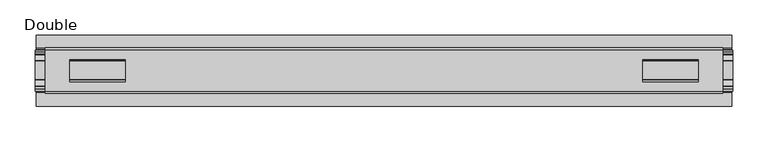
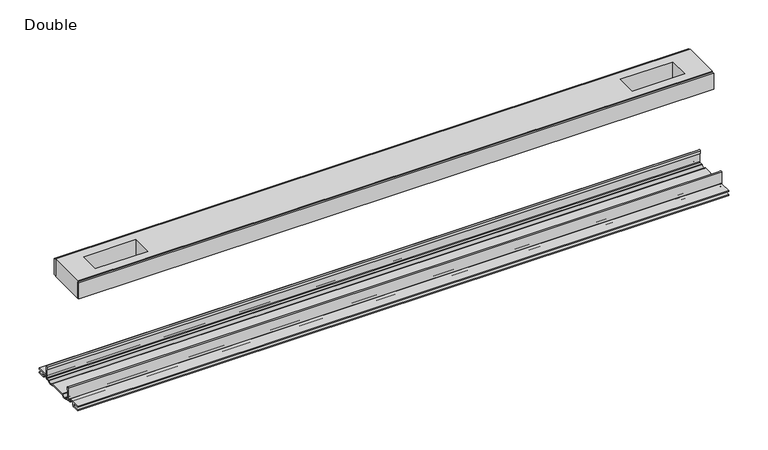
"""IFC4 building model written with IfcOpenShell, lengths in millimetres: proxy geometry, Double."""

from ifc_helpers import new_model, si_unit, point, frame, frame_2d, origin, place, context, project, spatial, polyline, circle_curve, trimmed, segment, composite_curve, outline, extrude, source, transform, mapped, element, save


def double_523658e2(model_context):
    return source(origin(), model_context, "Body", "SweptSolid", [
        extrude(outline(polyline([(479.3615091, -29.0068005), (479.3615091, -32.1817997), (-479.3615091, -32.1817997), (-479.3615091, -29.0068005), (479.3615091, -29.0068005)])), frame((0.0, 0.0, 149.8401622), z_axis=(0.0, 0.0, 1.0), x_axis=(1.0, 0.0, 0.0)), (0.0, 0.0, 1.0), 25.3999939),
        extrude(outline(polyline([(479.3615091, 32.1817997), (479.3615091, 29.0068005), (-479.3615091, 29.0068005), (-479.3615091, 32.1817997), (479.3615091, 32.1817997)])), frame((0.0, 0.0, 149.8401622), z_axis=(0.0, 0.0, 1.0), x_axis=(1.0, 0.0, 0.0)), (0.0, 0.0, 1.0), 25.3999939),
        extrude(outline(polyline([(479.3615091, 29.0068005), (479.3615091, -29.0068005), (-479.3615091, -29.0068005), (-479.3615091, 29.0068005), (479.3615091, 29.0068005)]), holes=[polyline([(444.9444965, 15.1130038), (365.8996847, 15.1130038), (365.8996847, -15.875003), (444.9444965, -15.875003), (444.9444965, 15.1130038)]), polyline([(-444.9444965, 15.1130038), (-444.9444965, -15.875003), (-365.8996847, -15.875003), (-365.8996847, 15.1130038), (-444.9444965, 15.1130038)])]), frame((0.0, 0.0, 148.4185847), z_axis=(0.0, 0.0, 1.0), x_axis=(1.0, 0.0, 0.0)), (0.0, 0.0, 1.0), 27.9999988),
        extrude(outline(composite_curve([segment(polyline([(-28.8162961, -7.7516037), (-28.8162961, 9.8607558)]), True, "CONTINUOUS"), segment(trimmed(circle_curve(frame_2d((-27.5970982, 9.8607558)), 1.2191979), [point((-28.8162961, 9.8607558))], [point((-26.3779003, 9.8607558))], False, "CARTESIAN"), True, "CONTINUOUS"), segment(polyline([(-26.3779003, 9.8607558), (-26.3779003, 5.9999563), (-27.6580769, 5.9999563), (-27.6580769, -7.7516037)]), True, "CONTINUOUS"), segment(trimmed(circle_curve(frame_2d((-26.6420561, -7.7516037)), 1.0160208), [point((-27.6580769, -7.7516037))], [point((-26.6485732, -8.7676036))], True, "CARTESIAN"), True, "CONTINUOUS"), segment(polyline([(-26.6485732, -8.7676036), (-22.7056226, -8.7676036), (-21.7922609, -8.968753)]), True, "CONTINUOUS"), segment(trimmed(circle_curve(frame_2d((-17.7673021, -6.1259382)), 4.9276657), [point((-21.7922609, -8.968753))], [point((-13.7423434, -8.968753))], True, "CARTESIAN"), True, "CONTINUOUS"), segment(polyline([(-13.7423434, -8.968753), (-12.8289726, -8.7676036), (13.2099722, -8.7676036), (14.123343, -8.968753)]), True, "CONTINUOUS"), segment(trimmed(circle_curve(frame_2d((18.1483018, -6.1259382)), 4.9276657), [point((14.123343, -8.968753))], [point((22.1732605, -8.968753))], True, "CARTESIAN"), True, "CONTINUOUS"), segment(polyline([(22.1732605, -8.968753), (23.0866222, -8.7676036), (27.0295728, -8.7676036)]), True, "CONTINUOUS"), segment(trimmed(circle_curve(frame_2d((27.0230557, -7.7516037)), 1.0160208), [point((27.0295728, -8.7676036))], [point((28.0390765, -7.7516037))], True, "CARTESIAN"), True, "CONTINUOUS"), segment(polyline([(28.0390765, -7.7516037), (28.0390765, 5.9999563), (26.7588999, 5.9999563), (26.7588999, 9.8607558)]), True, "CONTINUOUS"), segment(trimmed(circle_curve(frame_2d((27.9780978, 9.8607558)), 1.2191979), [point((26.7588999, 9.8607558))], [point((29.1972958, 9.8607558))], False, "CARTESIAN"), True, "CONTINUOUS"), segment(polyline([(29.1972958, 9.8607558), (29.1972958, -7.7516037)]), True, "CONTINUOUS"), segment(trimmed(circle_curve(frame_2d((27.0230557, -7.7516037)), 2.17424), [point((29.1972958, -7.7516037))], [point((27.0230557, -9.9258438))], False, "CARTESIAN"), True, "CONTINUOUS"), segment(polyline([(27.0230557, -9.9258438), (22.732069, -9.9258438)]), True, "CONTINUOUS"), segment(trimmed(circle_curve(frame_2d((18.1516545, -6.4800016)), 5.7318431), [point((22.732069, -9.9258438))], [point((13.57124, -9.9258438))], False, "CARTESIAN"), True, "CONTINUOUS"), segment(polyline([(13.57124, -9.9258438), (-13.1902404, -9.9258438)]), True, "CONTINUOUS"), segment(trimmed(circle_curve(frame_2d((-17.7706549, -6.4800016)), 5.7318431), [point((-13.1902404, -9.9258438))], [point((-22.3510694, -9.9258438))], False, "CARTESIAN"), True, "CONTINUOUS"), segment(polyline([(-22.3510694, -9.9258438), (-26.6420561, -9.9258438)]), True, "CONTINUOUS"), segment(trimmed(circle_curve(frame_2d((-26.6420561, -7.7516037)), 2.17424), [point((-26.6420561, -9.9258438))], [point((-28.8162961, -7.7516037))], False, "CARTESIAN"), True, "CONTINUOUS")], self_intersect=False)), frame((-493.4204, 0.0, 0.0), z_axis=(1.0, 0.0, 0.0), x_axis=(0.0, 1.0, 0.0)), (0.0, 0.0, 1.0), 986.8408),
        extrude(outline(composite_curve([segment(polyline([(-50.2668422, -13.9898438), (-50.2240211, -12.3388438), (-39.7827507, -12.3388438), (-39.7827507, -7.766844), (-50.2240211, -7.766844), (-50.2668422, -6.1158439), (-31.1784975, -6.1158439)]), True, "CONTINUOUS"), segment(trimmed(circle_curve(frame_2d((-31.1784975, -7.6398436)), 1.5239997), [point((-31.1784975, -6.1158439))], [point((-29.6544978, -7.6398436))], False, "CARTESIAN"), True, "CONTINUOUS"), segment(polyline([(-29.6544978, -7.6398436), (-29.6544978, -9.9258438), (-23.1058344, -9.9258438)]), True, "CONTINUOUS"), segment(trimmed(circle_curve(frame_2d((-17.7673021, -5.2268471)), 7.1119966), [point((-23.1058344, -9.9258438))], [point((-12.4287699, -9.9258438))], True, "CARTESIAN"), True, "CONTINUOUS"), segment(polyline([(-12.4287699, -9.9258438), (12.8097695, -9.9258438)]), True, "CONTINUOUS"), segment(trimmed(circle_curve(frame_2d((18.1483018, -5.2268471)), 7.1119966), [point((12.8097695, -9.9258438))], [point((23.486834, -9.9258438))], True, "CARTESIAN"), True, "CONTINUOUS"), segment(polyline([(23.486834, -9.9258438), (30.0354975, -9.9258438), (30.0354975, -7.7656583)]), True, "CONTINUOUS"), segment(trimmed(circle_curve(frame_2d((31.6864982, -7.7656583)), 1.6510007), [point((30.0354975, -7.7656583))], [point((31.6239218, -6.1158439))], False, "CARTESIAN"), True, "CONTINUOUS"), segment(polyline([(31.6239218, -6.1158439), (50.00625, -6.1158439), (50.00625, -7.766844), (40.1637503, -7.766844), (40.1637503, -12.3388438), (50.00625, -12.3388438), (50.00625, -13.9898438), (40.0367518, -13.9898438)]), True, "CONTINUOUS"), segment(trimmed(circle_curve(frame_2d((40.0367518, -12.4658438)), 1.524), [point((40.0367518, -13.9898438))], [point((38.5127519, -12.4658438))], False, "CARTESIAN"), True, "CONTINUOUS"), segment(polyline([(38.5127519, -12.4658438), (38.5127519, -7.766844), (31.686497, -7.766844), (31.686497, -10.0528438)]), True, "CONTINUOUS"), segment(trimmed(circle_curve(frame_2d((30.1624971, -10.0528438)), 1.524), [point((31.686497, -10.0528438))], [point((30.1624971, -11.5768438))], False, "CARTESIAN"), True, "CONTINUOUS"), segment(polyline([(30.1624971, -11.5768438), (23.6563549, -11.5768438)]), True, "CONTINUOUS"), segment(trimmed(circle_curve(frame_2d((18.1483018, -6.4968436)), 7.4930002), [point((23.6563549, -11.5768438))], [point((12.8904968, -11.8354331))], False, "CARTESIAN"), True, "CONTINUOUS"), segment(polyline([(12.8904968, -11.8354331), (-12.5094972, -11.8354331)]), True, "CONTINUOUS"), segment(trimmed(circle_curve(frame_2d((-17.7673021, -6.4968436)), 7.4930002), [point((-12.5094972, -11.8354331))], [point((-23.2753553, -11.5768438))], False, "CARTESIAN"), True, "CONTINUOUS"), segment(polyline([(-23.2753553, -11.5768438), (-29.7814974, -11.5768438)]), True, "CONTINUOUS"), segment(trimmed(circle_curve(frame_2d((-29.7814974, -10.0528438)), 1.524), [point((-29.7814974, -11.5768438))], [point((-31.3054974, -10.0528438))], False, "CARTESIAN"), True, "CONTINUOUS"), segment(polyline([(-31.3054974, -10.0528438), (-31.3054974, -7.766844), (-38.1317522, -7.766844), (-38.1317522, -12.4658438)]), True, "CONTINUOUS"), segment(trimmed(circle_curve(frame_2d((-39.6557522, -12.4658438)), 1.524), [point((-38.1317522, -12.4658438))], [point((-39.6557522, -13.9898438))], False, "CARTESIAN"), True, "CONTINUOUS"), segment(polyline([(-39.6557522, -13.9898438), (-50.2668422, -13.9898438)]), True, "CONTINUOUS")], self_intersect=False)), frame((-491.7694, 0.0, 0.0), z_axis=(1.0, 0.0, 0.0), x_axis=(0.0, 1.0, 0.0)), (0.0, 0.0, 1.0), 983.5388),
    ])


if __name__ == "__main__":
    model = new_model("IFC4")
    model_context = context("Model", 3, world=origin())
    ifc_project = project(units=[si_unit("LENGTHUNIT", "METRE", prefix="MILLI")], contexts=[model_context])
    site = spatial("IfcSite", under=ifc_project)
    building = spatial("IfcBuilding", under=site)
    placement = place(None, origin())
    double_shape = double_523658e2(model_context)
    element("IfcBuildingElementProxy", 1, Name="Double", ObjectType="Double", at=placement, inside=building, context=model_context, shape_type="MappedRepresentation", body=[
        mapped(double_shape, transform((0.0, 0.0, 0.0), x_axis=(1.0, 0.0, 0.0), y_axis=(0.0, 1.0, 0.0), z_axis=(0.0, 0.0, 1.0))),
    ])
    save(model, "model.ifc")
